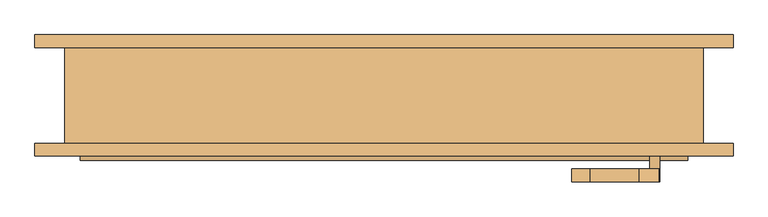
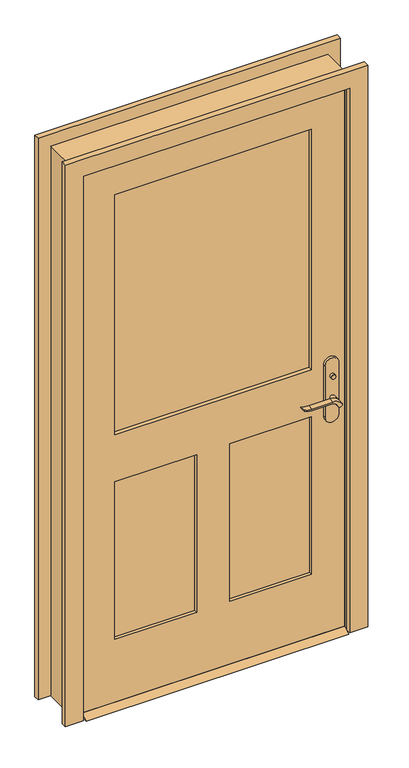
"""IFC4 building model written with IfcOpenShell, lengths in millimetres: door geometry."""

from ifc_helpers import new_model, si_unit, point, frame, frame_2d, origin, place, context, project, spatial, polyline, circle_curve, trimmed, segment, composite_curve, outline, extrude, faceted_brep, source, transform, mapped, element, save


def door_dec1b7ff(model_context):
    return source(origin(), model_context, "Body", "SolidModel", [
        extrude(outline(polyline([(-38.025, 15.0), (-12.625, 0.0), (-98.425, 0.0), (-73.025, 15.0), (-38.025, 15.0)])), frame((-475.0, 0.0, 0.0), z_axis=(1.0, 0.0, 0.0), x_axis=(0.0, 1.0, 0.0)), (0.0, 0.0, 1.0), 950.0),
        extrude(outline(polyline([(428.8, -16.825), (428.8, -26.825), (418.8, -26.825), (418.8, -16.825), (428.8, -16.825)])), frame((0.0, 0.0, 981.9), z_axis=(0.0, 0.0, 1.0), x_axis=(1.0, 0.0, 0.0)), (0.0, 0.0, 1.0), 30.0),
        extrude(outline(composite_curve([segment(trimmed(circle_curve(frame_2d((996.9, 423.8)), 8.0), [point((996.9, 415.8))], [point((996.9, 431.8))], False, "CARTESIAN"), True, "CONTINUOUS"), segment(trimmed(circle_curve(frame_2d((996.9, 423.8)), 8.0), [point((996.9, 431.8))], [point((996.9, 415.8))], False, "CARTESIAN"), True, "CONTINUOUS")], self_intersect=False)), frame((0.0, -91.825, 0.0), z_axis=(0.0, 1.0, 0.0), x_axis=(0.0, 0.0, 1.0)), (0.0, 0.0, 1.0), 10.0),
        extrude(outline(composite_curve([segment(trimmed(circle_curve(frame_2d((897.1555521, 400.1324871)), 37.2832219), [point((919.0523287, 430.3081363))], [point((934.4, 398.4325667))], False, "CARTESIAN"), True, "CONTINUOUS"), segment(polyline([(934.4, 398.4325667), (934.4, 322.1564091)]), True, "CONTINUOUS"), segment(trimmed(circle_curve(frame_2d((1017.6850638, 322.2227909)), 83.2850902), [point((934.4, 322.1564091))], [point((939.4, 293.8))], True, "CARTESIAN"), True, "CONTINUOUS"), segment(polyline([(939.4, 293.8), (936.6135558, 293.8)]), True, "CONTINUOUS"), segment(trimmed(circle_curve(frame_2d((986.6709207, 325.7396612)), 59.3791355), [point((936.6135558, 293.8))], [point((927.4, 322.1564091))], False, "CARTESIAN"), True, "CONTINUOUS"), segment(polyline([(927.4, 322.1564091), (927.4, 398.4138099)]), True, "CONTINUOUS"), segment(trimmed(circle_curve(frame_2d((909.2738613, 398.4138099)), 18.1261387), [point((927.4, 398.4138099))], [point((914.4, 415.8))], True, "CARTESIAN"), True, "CONTINUOUS"), segment(trimmed(circle_curve(frame_2d((914.4, 423.8)), 8.0), [point((914.4, 415.8))], [point((919.0523287, 430.3081363))], False, "CARTESIAN"), True, "CONTINUOUS")], self_intersect=False)), frame((0.0, 3.175, 0.0), z_axis=(0.0, 1.0, 0.0), x_axis=(0.0, 0.0, 1.0)), (0.0, 0.0, 1.0), 20.0),
        extrude(outline(composite_curve([segment(trimmed(circle_curve(frame_2d((914.4, 423.8)), 8.0), [point((914.3999903, 415.8))], [point((919.0523287, 430.3081363))], False, "CARTESIAN"), True, "CONTINUOUS"), segment(trimmed(circle_curve(frame_2d((897.1555521, 400.1324871)), 37.2832219), [point((919.0523287, 430.3081363))], [point((934.4, 398.4325667))], False, "CARTESIAN"), True, "CONTINUOUS"), segment(polyline([(934.4, 398.4325667), (934.4, 322.1564091)]), True, "CONTINUOUS"), segment(trimmed(circle_curve(frame_2d((1017.6850638, 322.2227909)), 83.2850902), [point((934.4, 322.1564091))], [point((939.4, 293.8))], True, "CARTESIAN"), True, "CONTINUOUS"), segment(polyline([(939.4, 293.8), (936.6135558, 293.8)]), True, "CONTINUOUS"), segment(trimmed(circle_curve(frame_2d((986.6709207, 325.7396612)), 59.3791355), [point((936.6135558, 293.8))], [point((927.4, 322.1564091))], False, "CARTESIAN"), True, "CONTINUOUS"), segment(polyline([(927.4, 322.1564091), (927.4, 398.4138122)]), True, "CONTINUOUS"), segment(trimmed(circle_curve(frame_2d((909.2738682, 398.4138122)), 18.1261318), [point((927.4, 398.4138122))], [point((914.3999903, 415.8))], True, "CARTESIAN"), True, "CONTINUOUS")], self_intersect=False)), frame((0.0, -131.825, 0.0), z_axis=(0.0, 1.0, 0.0), x_axis=(0.0, 0.0, 1.0)), (0.0, 0.0, 1.0), 20.0),
        extrude(outline(composite_curve([segment(trimmed(circle_curve(frame_2d((914.4, 423.8)), 8.0), [point((914.4, 415.8))], [point((914.4, 431.8))], False, "CARTESIAN"), True, "CONTINUOUS"), segment(trimmed(circle_curve(frame_2d((914.4, 423.8)), 8.0), [point((914.4, 431.8))], [point((914.4, 415.8))], False, "CARTESIAN"), True, "CONTINUOUS")], self_intersect=False)), frame((0.0, -26.825, 0.0), z_axis=(0.0, 1.0, 0.0), x_axis=(0.0, 0.0, 1.0)), (0.0, 0.0, 1.0), 30.0),
        extrude(outline(composite_curve([segment(trimmed(circle_curve(frame_2d((914.4, 423.8)), 8.0), [point((914.4, 415.8))], [point((914.4, 431.8))], False, "CARTESIAN"), True, "CONTINUOUS"), segment(trimmed(circle_curve(frame_2d((914.4, 423.8)), 8.0), [point((914.4, 431.8))], [point((914.4, 415.8))], False, "CARTESIAN"), True, "CONTINUOUS")], self_intersect=False)), frame((0.0, -111.825, 0.0), z_axis=(0.0, 1.0, 0.0), x_axis=(0.0, 0.0, 1.0)), (0.0, 0.0, 1.0), 30.0),
        extrude(outline(composite_curve([segment(polyline([(844.4, 448.8), (1039.4, 448.8)]), True, "CONTINUOUS"), segment(trimmed(circle_curve(frame_2d((1039.4, 423.8)), 25.0), [point((1039.4, 448.8))], [point((1039.4, 398.8))], False, "CARTESIAN"), True, "CONTINUOUS"), segment(polyline([(1039.4, 398.8), (844.4, 398.8)]), True, "CONTINUOUS"), segment(trimmed(circle_curve(frame_2d((844.4, 423.8)), 25.0), [point((844.4, 398.8))], [point((844.4, 448.8))], False, "CARTESIAN"), True, "CONTINUOUS")], self_intersect=False)), frame((0.0, -36.825, 0.0), z_axis=(0.0, 1.0, 0.0), x_axis=(0.0, 0.0, 1.0)), (0.0, 0.0, 1.0), 10.0),
        extrude(outline(composite_curve([segment(polyline([(844.4, 448.8), (1039.4, 448.8)]), True, "CONTINUOUS"), segment(trimmed(circle_curve(frame_2d((1039.4, 423.8)), 25.0), [point((1039.4, 448.8))], [point((1039.4, 398.8))], False, "CARTESIAN"), True, "CONTINUOUS"), segment(polyline([(1039.4, 398.8), (844.4, 398.8)]), True, "CONTINUOUS"), segment(trimmed(circle_curve(frame_2d((844.4, 423.8)), 25.0), [point((844.4, 398.8))], [point((844.4, 448.8))], False, "CARTESIAN"), True, "CONTINUOUS")], self_intersect=False)), frame((0.0, -81.825, 0.0), z_axis=(0.0, 1.0, 0.0), x_axis=(0.0, 0.0, 1.0)), (0.0, 0.0, 1.0), 10.0),
        extrude(outline(polyline([(2075.0, -475.0), (15.0, -475.0), (15.0, 475.0), (2075.0, 475.0), (2075.0, -475.0)]), holes=[polyline([(1037.5, -355.0), (1955.0, -355.0), (1955.0, 355.0), (1037.5, 355.0), (1037.5, -355.0)]), polyline([(857.5, -60.0), (255.0, -60.0), (255.0, -355.0), (857.5, -355.0), (857.5, -60.0)]), polyline([(857.5, 355.0), (255.0, 355.0), (255.0, 60.0), (857.5, 60.0), (857.5, 355.0)])]), frame((0.0, -71.825, 0.0), z_axis=(0.0, 1.0, 0.0), x_axis=(0.0, 0.0, 1.0)), (0.0, 0.0, 1.0), 35.0),
        faceted_brep([(500.0, -71.825, 0.0), (475.0, -71.825, 0.0), (475.0, -36.825, 0.0), (462.3, -36.825, 0.0), (462.3, -1.9, 0.0), (475.0, -1.9, 0.0), (475.0, 78.175, 0.0), (500.0, 78.175, 0.0), (500.0, 78.175, 2100.0), (500.0, -71.825, 2100.0), (475.0, 78.175, 2075.0), (-475.0, 78.175, 2075.0), (-475.0, 78.175, 0.0), (-500.0, 78.175, 0.0), (-500.0, 78.175, 2100.0), (475.0, -1.9, 2075.0), (462.3, -1.9, 2062.3), (-462.3, -1.9, 2062.3), (-462.3, -1.9, 0.0), (-475.0, -1.9, 0.0), (-475.0, -1.9, 2075.0), (462.3, -36.825, 2062.3), (475.0, -36.825, 2075.0), (-475.0, -36.825, 2075.0), (-475.0, -36.825, 0.0), (-462.3, -36.825, 0.0), (-462.3, -36.825, 2062.3), (475.0, -71.825, 2075.0), (-500.0, -71.825, 2100.0), (-500.0, -71.825, 0.0), (-475.0, -71.825, 0.0), (-475.0, -71.825, 2075.0)], [[[0, 1, 2, 3, 4, 5, 6, 7]], [[7, 8, 9, 0]], [[6, 10, 11, 12, 13, 14, 8, 7]], [[5, 15, 10, 6]], [[4, 16, 17, 18, 19, 20, 15, 5]], [[3, 21, 16, 4]], [[2, 22, 23, 24, 25, 26, 21, 3]], [[1, 27, 22, 2]], [[0, 9, 28, 29, 30, 31, 27, 1]], [[8, 14, 28, 9]], [[15, 20, 11, 10]], [[21, 26, 17, 16]], [[27, 31, 23, 22]], [[29, 13, 12, 19, 18, 25, 24, 30]], [[14, 13, 29, 28]], [[20, 19, 12, 11]], [[26, 25, 18, 17]], [[31, 30, 24, 23]]]),
        extrude(outline(polyline([(-60.0, -48.4916667), (-60.0, -60.1583333), (-355.0, -60.1583333), (-355.0, -48.4916667), (-60.0, -48.4916667)])), frame((0.0, 0.0, 255.0), z_axis=(0.0, 0.0, 1.0), x_axis=(1.0, 0.0, 0.0)), (0.0, 0.0, 1.0), 602.5),
        extrude(outline(polyline([(355.0, -48.4916667), (355.0, -60.1583333), (60.0, -60.1583333), (60.0, -48.4916667), (355.0, -48.4916667)])), frame((0.0, 0.0, 255.0), z_axis=(0.0, 0.0, 1.0), x_axis=(1.0, 0.0, 0.0)), (0.0, 0.0, 1.0), 602.5),
        extrude(outline(polyline([(355.0, -50.825), (355.0, -57.825), (-355.0, -57.825), (-355.0, -50.825), (355.0, -50.825)])), frame((0.0, 0.0, 1037.5), z_axis=(0.0, 0.0, 1.0), x_axis=(1.0, 0.0, 0.0)), (0.0, 0.0, 1.0), 917.5),
        extrude(outline(polyline([(0.0, -481.35), (2081.35, -481.35), (2081.35, 481.35), (0.0, 481.35), (0.0, 546.35), (2146.35, 546.35), (2146.35, -546.35), (0.0, -546.35), (0.0, -481.35)])), frame((0.0, 78.175, 0.0), z_axis=(0.0, 1.0, 0.0), x_axis=(0.0, 0.0, 1.0)), (0.0, 0.0, 1.0), 20.0),
        extrude(outline(polyline([(0.0, -481.35), (2081.35, -481.35), (2081.35, 481.35), (0.0, 481.35), (0.0, 546.35), (2146.35, 546.35), (2146.35, -546.35), (0.0, -546.35), (0.0, -481.35)])), frame((0.0, -91.825, 0.0), z_axis=(0.0, 1.0, 0.0), x_axis=(0.0, 0.0, 1.0)), (0.0, 0.0, 1.0), 20.0),
    ])


if __name__ == "__main__":
    model = new_model("IFC4")
    model_context = context("Model", 3, world=origin())
    ifc_project = project(units=[si_unit("LENGTHUNIT", "METRE", prefix="MILLI")], contexts=[model_context])
    site = spatial("IfcSite", under=ifc_project)
    building = spatial("IfcBuilding", under=site)
    placement = place(None, origin())
    door_shape = door_dec1b7ff(model_context)
    element("IfcDoor", 1, at=placement, inside=building, context=model_context, shape_type="MappedRepresentation", body=[
        mapped(door_shape, transform((0.0, 0.0, 0.0), x_axis=(1.0, 0.0, 0.0), y_axis=(0.0, 1.0, 0.0), z_axis=(0.0, 0.0, 1.0))),
    ])
    save(model, "model.ifc")
